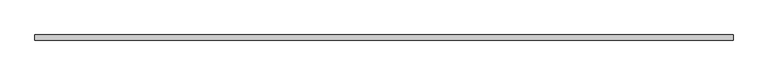
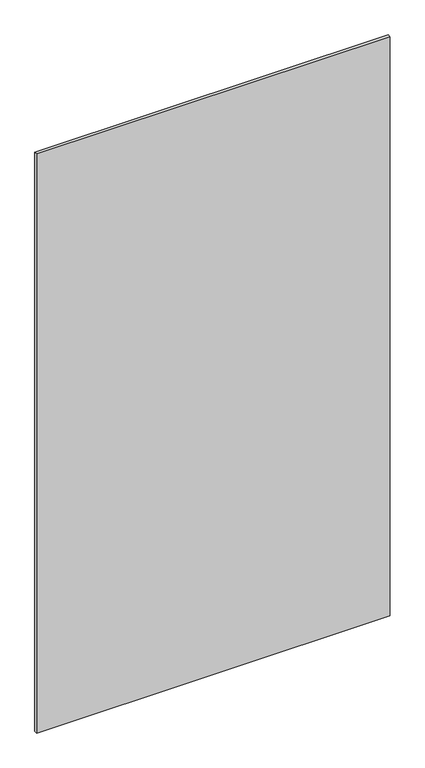
"""IFC4 building model written with IfcOpenShell, lengths in millimetres: plate geometry."""

import ifcopenshell
import ifcopenshell.guid

model = None  # the IFC model being written
_history = None  # IfcOwnerHistory: only IFC2X3 demands one
_inside = {}  # id of a spatial element -> (the spatial element, [elements in it])
_under = {}  # id of a project, library or spatial element -> (it, [spatial elements below it])
_declared = {}  # id of a project -> (the project, [libraries it declares])
_typed = {}  # id of a type object -> (the type object, [elements of that type])
_made_of = {}  # id of a material, layer set ... -> (it, [elements and type objects made of it])


def new_model(schema):
    """Start an empty IFC model of exactly this schema.

    Asked for "IFC4X3", IfcOpenShell would pick the latest addendum, in which some entities
    have other attributes; the version numbers below select the first issue.
    IFC2X3 requires an IfcOwnerHistory on every rooted entity: one is made here for all.
    """
    global model, _history
    if schema == "IFC4X3":
        model = ifcopenshell.file(schema_version=(4, 3, 0, 0))
    else:
        model = ifcopenshell.file(schema=schema)
    _inside.clear()
    _under.clear()
    _declared.clear()
    _typed.clear()
    _made_of.clear()
    _history = None
    if model.schema == "IFC2X3":
        org = make("IfcOrganization", Name="unknown")
        user = make(
            "IfcPersonAndOrganization",
            ThePerson=make("IfcPerson", FamilyName="unknown"),
            TheOrganization=org,
        )
        app = make(
            "IfcApplication",
            ApplicationDeveloper=org,
            Version="unknown",
            ApplicationFullName="unknown",
            ApplicationIdentifier="unknown",
        )
        _history = make(
            "IfcOwnerHistory",
            OwningUser=user,
            OwningApplication=app,
            ChangeAction="ADDED",
            CreationDate=0,
        )
    return model


def make(cls, **values):
    """One entity of the class cls with the attributes given. An attribute that is None is left unset."""
    return model.create_entity(
        cls, **{name: value for name, value in values.items() if value is not None}
    )


def rooted(cls, **values):
    """An entity with a GlobalId (a new one), such as an element, a storey or a relation."""
    return make(cls, GlobalId=ifcopenshell.guid.new(), OwnerHistory=_history, **values)


def si_unit(unit_type, name, prefix=None):
    """IfcSIUnit, for example si_unit("LENGTHUNIT", "METRE", prefix="MILLI")."""
    return make("IfcSIUnit", UnitType=unit_type, Prefix=prefix, Name=name)


def assignment(units):
    """IfcUnitAssignment: the units of a project."""
    return None if units is None else make("IfcUnitAssignment", Units=units)


def point(xyz):
    """IfcCartesianPoint."""
    return None if xyz is None else make("IfcCartesianPoint", Coordinates=xyz)


def direction(xyz):
    """IfcDirection."""
    return None if xyz is None else make("IfcDirection", DirectionRatios=xyz)


def frame(location, z_axis=None, x_axis=None):
    """IfcAxis2Placement3D, a coordinate frame: its origin and axes. An axis left out is left unset."""
    return make(
        "IfcAxis2Placement3D",
        Location=point(location),
        Axis=direction(z_axis),
        RefDirection=direction(x_axis),
    )


def origin():
    """The frame at (0, 0, 0) with its axes left unset."""
    return frame((0.0, 0.0, 0.0))


def origin_with_axes():
    """The frame at (0, 0, 0) with the z axis (0, 0, 1) and the x axis (1, 0, 0) written out."""
    return frame((0.0, 0.0, 0.0), z_axis=(0.0, 0.0, 1.0), x_axis=(1.0, 0.0, 0.0))


def place(relative_to, where):
    """IfcLocalPlacement: puts the frame where relative to a parent placement (None: the world)."""
    return make(
        "IfcLocalPlacement", PlacementRelTo=relative_to, RelativePlacement=where
    )


def context(
    kind, dimensions, precision=None, world=None, true_north=None, identifier=None
):
    """IfcGeometricRepresentationContext, for example the 3D "Model" context."""
    return make(
        "IfcGeometricRepresentationContext",
        ContextIdentifier=identifier,
        ContextType=kind,
        CoordinateSpaceDimension=dimensions,
        Precision=precision,
        WorldCoordinateSystem=world,
        TrueNorth=true_north,
    )


def project(units=None, contexts=None):
    """IfcProject with its units and contexts."""
    return rooted(
        "IfcProject",
        Name="project",
        RepresentationContexts=contexts,
        UnitsInContext=assignment(units),
    )


def spatial(cls, under=None, at=None, **own):
    """A site, building, storey or space (cls), placed at a placement, below another one or the project."""
    s = rooted(cls, ObjectPlacement=at, **own)
    if under is not None:
        _under.setdefault(under.id(), (under, []))[1].append(s)
    return s


def polyline(points):
    """IfcPolyline through the points."""
    return make("IfcPolyline", Points=[point(p) for p in points])


def outline(outer, holes=None, kind="AREA"):
    """IfcArbitraryClosedProfileDef: a profile drawn as a closed curve; with holes, ...WithVoids."""
    if holes is None:
        return make("IfcArbitraryClosedProfileDef", ProfileType=kind, OuterCurve=outer)
    return make(
        "IfcArbitraryProfileDefWithVoids",
        ProfileType=kind,
        OuterCurve=outer,
        InnerCurves=holes,
    )


def extrude(swept, where, along, depth):
    """IfcExtrudedAreaSolid: the profile swept, set in the frame where, extruded along a direction by depth."""
    return make(
        "IfcExtrudedAreaSolid",
        SweptArea=swept,
        Position=where,
        ExtrudedDirection=direction(along),
        Depth=depth,
    )


def shape(context_of_items, identifier, shape_type, items):
    """IfcShapeRepresentation: the items that make up one representation, for example the "Body"."""
    return make(
        "IfcShapeRepresentation",
        ContextOfItems=context_of_items,
        RepresentationIdentifier=identifier,
        RepresentationType=shape_type,
        Items=items,
    )


def source(mapping_origin, context_of_items, identifier, shape_type, items):
    """IfcRepresentationMap: a shape defined once, which mapped items show again and again."""
    return make(
        "IfcRepresentationMap",
        MappingOrigin=mapping_origin,
        MappedRepresentation=shape(context_of_items, identifier, shape_type, items),
    )


def transform(
    local_origin,
    x_axis=None,
    y_axis=None,
    z_axis=None,
    scale=None,
    scale2=None,
    scale3=None,
    uniform=True,
):
    """IfcCartesianTransformationOperator3D, or its non-uniform kind. x_axis, y_axis, z_axis: its Axis1, 2, 3."""
    if uniform:
        return make(
            "IfcCartesianTransformationOperator3D",
            Axis1=direction(x_axis),
            Axis2=direction(y_axis),
            LocalOrigin=point(local_origin),
            Scale=scale,
            Axis3=direction(z_axis),
        )
    return make(
        "IfcCartesianTransformationOperator3DnonUniform",
        Axis1=direction(x_axis),
        Axis2=direction(y_axis),
        LocalOrigin=point(local_origin),
        Scale=scale,
        Axis3=direction(z_axis),
        Scale2=scale2,
        Scale3=scale3,
    )


def mapped(mapping_source, mapping_target):
    """IfcMappedItem: shows the shape of a source again, moved by a transform."""
    return make(
        "IfcMappedItem", MappingSource=mapping_source, MappingTarget=mapping_target
    )


def made_of(thing, what):
    """Note that an element or type object is made of a material, layer set ...; save() writes the relation."""
    if what is not None:
        _made_of.setdefault(what.id(), (what, []))[1].append(thing)
    return thing


def element(
    cls,
    number,
    at=None,
    inside=None,
    cuts=None,
    type_object=None,
    material=None,
    context=None,
    identifier="Body",
    shape_type=None,
    held_by="IfcProductDefinitionShape",
    body=None,
    shapes=None,
    **own,
):
    """One element of the class cls, such as IfcWall. Its Tag is "e" and its number.

    at: its placement. inside: the storey or other place that contains it. cuts: it is an
    opening in that element (IfcRelVoidsElement). A single representation is given by context,
    identifier, shape_type and body (its items); several are given by shapes. held_by: the class
    of the entity that holds the representations. save() writes the other relations.
    """
    e = rooted(cls, Tag="e%d" % number, ObjectPlacement=at, **own)
    if body is not None:
        shapes = [shape(context, identifier, shape_type, body)]
    if shapes is not None:
        e.Representation = make(held_by, Representations=shapes)
    if inside is not None:
        _inside.setdefault(inside.id(), (inside, []))[1].append(e)
    if cuts is not None:
        rooted(
            "IfcRelVoidsElement", RelatingBuildingElement=cuts, RelatedOpeningElement=e
        )
    if type_object is not None:
        _typed.setdefault(type_object.id(), (type_object, []))[1].append(e)
    return made_of(e, material)


def aggregate(whole, parts):
    """IfcRelAggregates: a whole, such as a stair, and the parts it consists of."""
    return rooted("IfcRelAggregates", RelatingObject=whole, RelatedObjects=parts)


def save(model, path):
    """Write the relations noted so far, then the file.

    IfcRelAggregates (storeys below a building ...), IfcRelContainedInSpatialStructure (elements
    in a storey), IfcRelDefinesByType, IfcRelAssociatesMaterial and IfcRelDeclares: one each for
    every whole, place, type object, material and project.
    """
    for whole, parts in _under.values():
        aggregate(whole, parts)
    for where, things in _inside.values():
        rooted(
            "IfcRelContainedInSpatialStructure",
            RelatedElements=things,
            RelatingStructure=where,
        )
    for kind, things in _typed.values():
        rooted("IfcRelDefinesByType", RelatedObjects=things, RelatingType=kind)
    for what, things in _made_of.values():
        rooted("IfcRelAssociatesMaterial", RelatedObjects=things, RelatingMaterial=what)
    for by, libraries in _declared.values():
        rooted("IfcRelDeclares", RelatingContext=by, RelatedDefinitions=libraries)
    model.write(path)


def plate_28da567b(model_context):
    return source(origin(), model_context, "Body", "SweptSolid", [
        extrude(outline(polyline([(625.0, 5.0), (625.0, -5.0), (-625.0, -5.0), (-625.0, 5.0), (625.0, 5.0)])), origin_with_axes(), (0.0, 0.0, 1.0), 2165.0),
    ])


if __name__ == "__main__":
    model = new_model("IFC4")
    model_context = context("Model", 3, world=origin())
    ifc_project = project(units=[si_unit("LENGTHUNIT", "METRE", prefix="MILLI")], contexts=[model_context])
    site = spatial("IfcSite", under=ifc_project)
    building = spatial("IfcBuilding", under=site)
    placement = place(None, origin())
    plate_shape = plate_28da567b(model_context)
    element("IfcPlate", 1, at=placement, inside=building, context=model_context, shape_type="MappedRepresentation", body=[
        mapped(plate_shape, transform((0.0, 0.0, 0.0), x_axis=(1.0, 0.0, 0.0), y_axis=(0.0, 1.0, 0.0), z_axis=(0.0, 0.0, 1.0))),
    ])
    save(model, "model.ifc")
